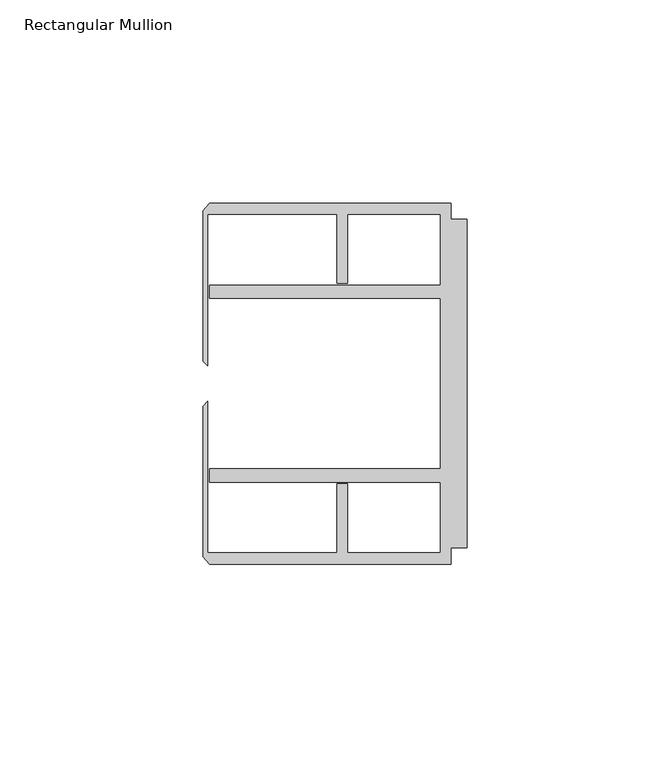
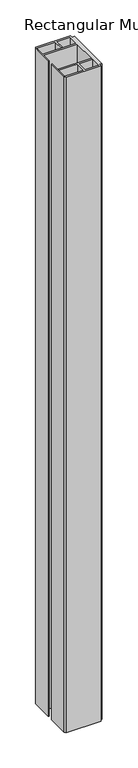
"""IFC4 building model written with IfcOpenShell, lengths in millimetres: member geometry, Rectangular Mullion."""

from ifc_helpers import new_model, si_unit, frame, origin, place, context, project, spatial, polyline, outline, extrude, source, transform, mapped, element, save


def rectangular_mullion_cb0fa588(model_context):
    return source(origin(), model_context, "Body", "SweptSolid", [
        extrude(outline(polyline([(-4.0000001, 44.45), (-4.0000001, 40.4500013), (0.0, 40.4500013), (0.0, -40.4500013), (-4.0000001, -40.4500013), (-4.0000001, -44.45), (-63.5, -44.45), (-65.0875, -42.5778955), (-65.0875, -5.55625), (-63.9424102, -4.4111602), (-63.9424102, -41.6500013), (-32.0000002, -41.6500013), (-32.0000002, -24.6468758), (-29.4000001, -24.6468758), (-29.4000001, -41.6500013), (-6.6000002, -41.6500013), (-6.6000002, -24.2500008), (-63.5, -24.2500008), (-63.5, -20.9500007), (-6.6000002, -20.9500007), (-6.6000002, 20.9500007), (-63.5, 20.9500007), (-63.5, 24.2500008), (-6.6000002, 24.2500008), (-6.6000002, 41.6500013), (-29.4000001, 41.6500013), (-29.4000001, 24.6468758), (-32.0000002, 24.6468758), (-32.0000002, 41.6500013), (-63.9424102, 41.6500013), (-63.9424102, 4.4111602), (-65.0875, 5.55625), (-65.0875, 42.5778955), (-63.5, 44.45), (-4.0000001, 44.45)])), frame((0.0, 0.0, -1177.925), z_axis=(0.0, 0.0, 1.0), x_axis=(1.0, 0.0, 0.0)), (0.0, 0.0, 1.0), 1177.925),
    ])


if __name__ == "__main__":
    model = new_model("IFC4")
    model_context = context("Model", 3, world=origin())
    ifc_project = project(units=[si_unit("LENGTHUNIT", "METRE", prefix="MILLI")], contexts=[model_context])
    site = spatial("IfcSite", under=ifc_project)
    building = spatial("IfcBuilding", under=site)
    placement = place(None, origin())
    rectangular_mullion_shape = rectangular_mullion_cb0fa588(model_context)
    element("IfcMember", 1, ObjectType="Rectangular Mullion", at=placement, inside=building, context=model_context, shape_type="MappedRepresentation", body=[
        mapped(rectangular_mullion_shape, transform((0.0, 0.0, 0.0), x_axis=(1.0, 0.0, 0.0), y_axis=(0.0, 1.0, 0.0), z_axis=(0.0, 0.0, 1.0))),
    ])
    save(model, "model.ifc")
